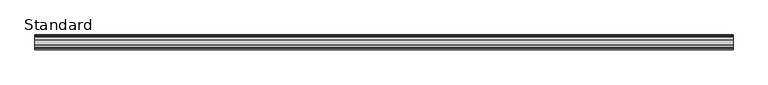
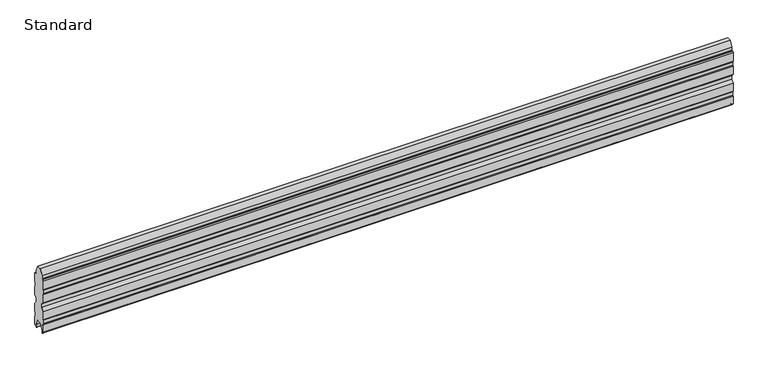
"""IFC4 building model written with IfcOpenShell, lengths in millimetres: plate geometry, Standard."""

import ifcopenshell
import ifcopenshell.guid

model = None  # the IFC model being written
_history = None  # IfcOwnerHistory: only IFC2X3 demands one
_inside = {}  # id of a spatial element -> (the spatial element, [elements in it])
_under = {}  # id of a project, library or spatial element -> (it, [spatial elements below it])
_declared = {}  # id of a project -> (the project, [libraries it declares])
_typed = {}  # id of a type object -> (the type object, [elements of that type])
_made_of = {}  # id of a material, layer set ... -> (it, [elements and type objects made of it])


def new_model(schema):
    """Start an empty IFC model of exactly this schema.

    Asked for "IFC4X3", IfcOpenShell would pick the latest addendum, in which some entities
    have other attributes; the version numbers below select the first issue.
    IFC2X3 requires an IfcOwnerHistory on every rooted entity: one is made here for all.
    """
    global model, _history
    if schema == "IFC4X3":
        model = ifcopenshell.file(schema_version=(4, 3, 0, 0))
    else:
        model = ifcopenshell.file(schema=schema)
    _inside.clear()
    _under.clear()
    _declared.clear()
    _typed.clear()
    _made_of.clear()
    _history = None
    if model.schema == "IFC2X3":
        org = make("IfcOrganization", Name="unknown")
        user = make(
            "IfcPersonAndOrganization",
            ThePerson=make("IfcPerson", FamilyName="unknown"),
            TheOrganization=org,
        )
        app = make(
            "IfcApplication",
            ApplicationDeveloper=org,
            Version="unknown",
            ApplicationFullName="unknown",
            ApplicationIdentifier="unknown",
        )
        _history = make(
            "IfcOwnerHistory",
            OwningUser=user,
            OwningApplication=app,
            ChangeAction="ADDED",
            CreationDate=0,
        )
    return model


def make(cls, **values):
    """One entity of the class cls with the attributes given. An attribute that is None is left unset."""
    return model.create_entity(
        cls, **{name: value for name, value in values.items() if value is not None}
    )


def rooted(cls, **values):
    """An entity with a GlobalId (a new one), such as an element, a storey or a relation."""
    return make(cls, GlobalId=ifcopenshell.guid.new(), OwnerHistory=_history, **values)


def si_unit(unit_type, name, prefix=None):
    """IfcSIUnit, for example si_unit("LENGTHUNIT", "METRE", prefix="MILLI")."""
    return make("IfcSIUnit", UnitType=unit_type, Prefix=prefix, Name=name)


def assignment(units):
    """IfcUnitAssignment: the units of a project."""
    return None if units is None else make("IfcUnitAssignment", Units=units)


def point(xyz):
    """IfcCartesianPoint."""
    return None if xyz is None else make("IfcCartesianPoint", Coordinates=xyz)


def direction(xyz):
    """IfcDirection."""
    return None if xyz is None else make("IfcDirection", DirectionRatios=xyz)


def frame(location, z_axis=None, x_axis=None):
    """IfcAxis2Placement3D, a coordinate frame: its origin and axes. An axis left out is left unset."""
    return make(
        "IfcAxis2Placement3D",
        Location=point(location),
        Axis=direction(z_axis),
        RefDirection=direction(x_axis),
    )


def frame_2d(location, x_axis=None):
    """IfcAxis2Placement2D, a coordinate frame in the plane: its origin and x axis."""
    return make(
        "IfcAxis2Placement2D", Location=point(location), RefDirection=direction(x_axis)
    )


def origin():
    """The frame at (0, 0, 0) with its axes left unset."""
    return frame((0.0, 0.0, 0.0))


def place(relative_to, where):
    """IfcLocalPlacement: puts the frame where relative to a parent placement (None: the world)."""
    return make(
        "IfcLocalPlacement", PlacementRelTo=relative_to, RelativePlacement=where
    )


def context(
    kind, dimensions, precision=None, world=None, true_north=None, identifier=None
):
    """IfcGeometricRepresentationContext, for example the 3D "Model" context."""
    return make(
        "IfcGeometricRepresentationContext",
        ContextIdentifier=identifier,
        ContextType=kind,
        CoordinateSpaceDimension=dimensions,
        Precision=precision,
        WorldCoordinateSystem=world,
        TrueNorth=true_north,
    )


def project(units=None, contexts=None):
    """IfcProject with its units and contexts."""
    return rooted(
        "IfcProject",
        Name="project",
        RepresentationContexts=contexts,
        UnitsInContext=assignment(units),
    )


def spatial(cls, under=None, at=None, **own):
    """A site, building, storey or space (cls), placed at a placement, below another one or the project."""
    s = rooted(cls, ObjectPlacement=at, **own)
    if under is not None:
        _under.setdefault(under.id(), (under, []))[1].append(s)
    return s


def polyline(points):
    """IfcPolyline through the points."""
    return make("IfcPolyline", Points=[point(p) for p in points])


def circle_curve(where, radius):
    """IfcCircle in the frame where."""
    return make("IfcCircle", Position=where, Radius=radius)


def trimmed(basis, trim1, trim2, sense, master):
    """IfcTrimmedCurve: the piece of a basis curve between two trims."""
    return make(
        "IfcTrimmedCurve",
        BasisCurve=basis,
        Trim1=trim1,
        Trim2=trim2,
        SenseAgreement=sense,
        MasterRepresentation=master,
    )


def segment(curve, same_sense, transition):
    """IfcCompositeCurveSegment."""
    return make(
        "IfcCompositeCurveSegment",
        Transition=transition,
        SameSense=same_sense,
        ParentCurve=curve,
    )


def composite_curve(segments, self_intersect=None):
    """IfcCompositeCurve: segments joined end to end."""
    return make("IfcCompositeCurve", Segments=segments, SelfIntersect=self_intersect)


def outline(outer, holes=None, kind="AREA"):
    """IfcArbitraryClosedProfileDef: a profile drawn as a closed curve; with holes, ...WithVoids."""
    if holes is None:
        return make("IfcArbitraryClosedProfileDef", ProfileType=kind, OuterCurve=outer)
    return make(
        "IfcArbitraryProfileDefWithVoids",
        ProfileType=kind,
        OuterCurve=outer,
        InnerCurves=holes,
    )


def extrude(swept, where, along, depth):
    """IfcExtrudedAreaSolid: the profile swept, set in the frame where, extruded along a direction by depth."""
    return make(
        "IfcExtrudedAreaSolid",
        SweptArea=swept,
        Position=where,
        ExtrudedDirection=direction(along),
        Depth=depth,
    )


def shape(context_of_items, identifier, shape_type, items):
    """IfcShapeRepresentation: the items that make up one representation, for example the "Body"."""
    return make(
        "IfcShapeRepresentation",
        ContextOfItems=context_of_items,
        RepresentationIdentifier=identifier,
        RepresentationType=shape_type,
        Items=items,
    )


def source(mapping_origin, context_of_items, identifier, shape_type, items):
    """IfcRepresentationMap: a shape defined once, which mapped items show again and again."""
    return make(
        "IfcRepresentationMap",
        MappingOrigin=mapping_origin,
        MappedRepresentation=shape(context_of_items, identifier, shape_type, items),
    )


def transform(
    local_origin,
    x_axis=None,
    y_axis=None,
    z_axis=None,
    scale=None,
    scale2=None,
    scale3=None,
    uniform=True,
):
    """IfcCartesianTransformationOperator3D, or its non-uniform kind. x_axis, y_axis, z_axis: its Axis1, 2, 3."""
    if uniform:
        return make(
            "IfcCartesianTransformationOperator3D",
            Axis1=direction(x_axis),
            Axis2=direction(y_axis),
            LocalOrigin=point(local_origin),
            Scale=scale,
            Axis3=direction(z_axis),
        )
    return make(
        "IfcCartesianTransformationOperator3DnonUniform",
        Axis1=direction(x_axis),
        Axis2=direction(y_axis),
        LocalOrigin=point(local_origin),
        Scale=scale,
        Axis3=direction(z_axis),
        Scale2=scale2,
        Scale3=scale3,
    )


def mapped(mapping_source, mapping_target):
    """IfcMappedItem: shows the shape of a source again, moved by a transform."""
    return make(
        "IfcMappedItem", MappingSource=mapping_source, MappingTarget=mapping_target
    )


def made_of(thing, what):
    """Note that an element or type object is made of a material, layer set ...; save() writes the relation."""
    if what is not None:
        _made_of.setdefault(what.id(), (what, []))[1].append(thing)
    return thing


def element(
    cls,
    number,
    at=None,
    inside=None,
    cuts=None,
    type_object=None,
    material=None,
    context=None,
    identifier="Body",
    shape_type=None,
    held_by="IfcProductDefinitionShape",
    body=None,
    shapes=None,
    **own,
):
    """One element of the class cls, such as IfcWall. Its Tag is "e" and its number.

    at: its placement. inside: the storey or other place that contains it. cuts: it is an
    opening in that element (IfcRelVoidsElement). A single representation is given by context,
    identifier, shape_type and body (its items); several are given by shapes. held_by: the class
    of the entity that holds the representations. save() writes the other relations.
    """
    e = rooted(cls, Tag="e%d" % number, ObjectPlacement=at, **own)
    if body is not None:
        shapes = [shape(context, identifier, shape_type, body)]
    if shapes is not None:
        e.Representation = make(held_by, Representations=shapes)
    if inside is not None:
        _inside.setdefault(inside.id(), (inside, []))[1].append(e)
    if cuts is not None:
        rooted(
            "IfcRelVoidsElement", RelatingBuildingElement=cuts, RelatedOpeningElement=e
        )
    if type_object is not None:
        _typed.setdefault(type_object.id(), (type_object, []))[1].append(e)
    return made_of(e, material)


def aggregate(whole, parts):
    """IfcRelAggregates: a whole, such as a stair, and the parts it consists of."""
    return rooted("IfcRelAggregates", RelatingObject=whole, RelatedObjects=parts)


def save(model, path):
    """Write the relations noted so far, then the file.

    IfcRelAggregates (storeys below a building ...), IfcRelContainedInSpatialStructure (elements
    in a storey), IfcRelDefinesByType, IfcRelAssociatesMaterial and IfcRelDeclares: one each for
    every whole, place, type object, material and project.
    """
    for whole, parts in _under.values():
        aggregate(whole, parts)
    for where, things in _inside.values():
        rooted(
            "IfcRelContainedInSpatialStructure",
            RelatedElements=things,
            RelatingStructure=where,
        )
    for kind, things in _typed.values():
        rooted("IfcRelDefinesByType", RelatedObjects=things, RelatingType=kind)
    for what, things in _made_of.values():
        rooted("IfcRelAssociatesMaterial", RelatedObjects=things, RelatingMaterial=what)
    for by, libraries in _declared.values():
        rooted("IfcRelDeclares", RelatingContext=by, RelatedDefinitions=libraries)
    model.write(path)


def standard_73a59df2(model_context):
    return source(origin(), model_context, "Body", "SweptSolid", [
        extrude(outline(composite_curve([segment(polyline([(9.3009734, 40.0704753), (-9.3009734, 40.0704753), (-21.6000018, 14.2603528), (-21.6000018, 0.575012)]), True, "CONTINUOUS"), segment(trimmed(circle_curve(frame_2d((-22.1750138, 0.575012)), 0.575012), [point((-21.6000018, 0.575012))], [point((-22.7500257, 0.575012))], False, "CARTESIAN"), True, "CONTINUOUS"), segment(polyline([(-22.7500257, 0.575012), (-22.7500257, 5.5256631)]), True, "CONTINUOUS"), segment(trimmed(circle_curve(frame_2d((-24.4906807, 5.4350083)), 1.7430141), [point((-22.7500257, 5.5256631))], [point((-24.4000259, 7.1756632))], True, "CARTESIAN"), True, "CONTINUOUS"), segment(polyline([(-24.4000259, 7.1756632), (-27.8239508, 7.3539841), (-32.0000186, 11.5300524), (-32.0000186, 46.1809022), (-30.8000259, 49.7180231), (-30.8000259, 64.6755435), (-32.0, 68.1817815), (-32.0, 105.224993), (-21.0000019, 118.2210715), (-21.0000019, 134.1630561), (-32.0, 147.2327497), (-32.0, 183.6822975), (-30.8000731, 187.1756094), (-30.8000731, 202.1602962), (-32.0, 205.6601202), (-32.0, 244.6870086), (-27.7503939, 248.9183085), (-23.2500019, 248.9183085)]), True, "CONTINUOUS"), segment(trimmed(circle_curve(frame_2d((-23.2500019, 250.5683086)), 1.6500001), [point((-23.2500019, 248.9183085))], [point((-21.6000018, 250.5683086))], True, "CARTESIAN"), True, "CONTINUOUS"), segment(polyline([(-21.6000018, 250.5683086), (-21.6000018, 264.2603528), (-9.3009734, 288.9137719), (9.3009734, 288.9137719), (21.6000018, 264.2603528), (21.6000018, 250.5683086)]), True, "CONTINUOUS"), segment(trimmed(circle_curve(frame_2d((23.2500019, 250.5683086)), 1.6500001), [point((21.6000018, 250.5683086))], [point((23.2500019, 248.9183085))], True, "CARTESIAN"), True, "CONTINUOUS"), segment(polyline([(23.2500019, 248.9183085), (27.7503939, 248.9183085), (32.0, 244.6870086), (32.0, 205.6601202), (30.8000731, 202.1602962), (30.8000731, 187.1756094), (32.0, 183.6822975), (32.0, 147.2327497), (21.0000019, 134.1630561), (21.0000019, 118.2210715), (32.0, 105.224993), (32.0, 68.1817815), (30.8000259, 64.6755435), (30.8000259, 49.7180231), (32.0000186, 46.1809022), (32.0000186, 11.5300524), (27.5902281, 7.1756632), (24.4000258, 7.1756632)]), True, "CONTINUOUS"), segment(trimmed(circle_curve(frame_2d((24.4000258, 5.5256631)), 1.6500001), [point((24.4000258, 7.1756632))], [point((22.7500257, 5.5256631))], True, "CARTESIAN"), True, "CONTINUOUS"), segment(polyline([(22.7500257, 5.5256631), (22.7500257, 0.575012)]), True, "CONTINUOUS"), segment(trimmed(circle_curve(frame_2d((22.1750138, 0.575012)), 0.575012), [point((22.7500257, 0.575012))], [point((21.6000018, 0.575012))], False, "CARTESIAN"), True, "CONTINUOUS"), segment(polyline([(21.6000018, 0.575012), (21.6000018, 14.2603528), (9.3009734, 40.0704753)]), True, "CONTINUOUS")], self_intersect=False)), frame((-1498.85, 0.0, 0.0), z_axis=(1.0, 0.0, 0.0), x_axis=(0.0, 1.0, 0.0)), (0.0, 0.0, 1.0), 2997.7),
    ])


if __name__ == "__main__":
    model = new_model("IFC4")
    model_context = context("Model", 3, world=origin())
    ifc_project = project(units=[si_unit("LENGTHUNIT", "METRE", prefix="MILLI")], contexts=[model_context])
    site = spatial("IfcSite", under=ifc_project)
    building = spatial("IfcBuilding", under=site)
    placement = place(None, origin())
    standard_shape = standard_73a59df2(model_context)
    element("IfcPlate", 1, ObjectType="Standard", at=placement, inside=building, context=model_context, shape_type="MappedRepresentation", body=[
        mapped(standard_shape, transform((0.0, 0.0, 0.0), x_axis=(1.0, 0.0, 0.0), y_axis=(0.0, 1.0, 0.0), z_axis=(0.0, 0.0, 1.0))),
    ])
    save(model, "model.ifc")
